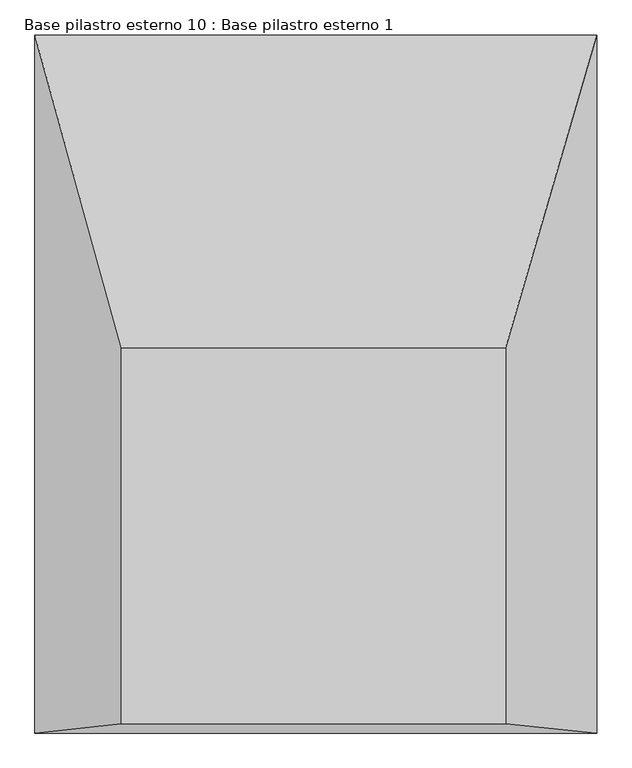
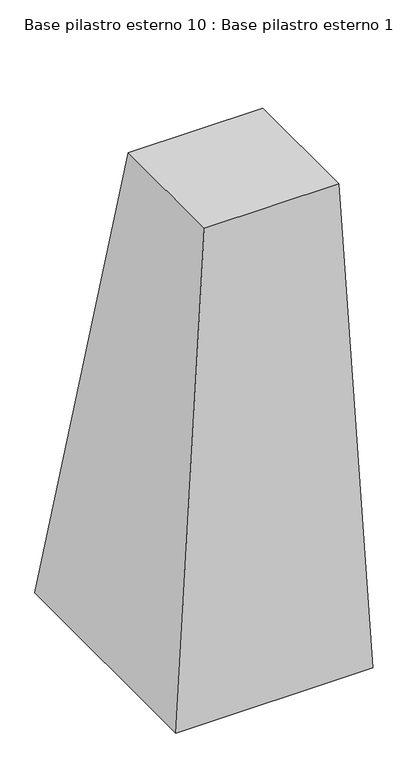
"""IFC4 building model written with IfcOpenShell, lengths in millimetres: column geometry, Base pilastro esterno 10 : Base pilastro esterno 1."""

from ifc_helpers import new_model, si_unit, origin, place, context, project, spatial, faceted_brep, source, transform, mapped, element, save


def base_pilastro_esterno_10_base_pilastro_esterno_1_2988f45d(model_context):
    return source(origin(), model_context, "Body", "Brep", [
        faceted_brep([(80645.7772396, 123725.338663, 110.4186824), (81248.7724453, 123725.338663, 110.4186824), (81248.7724453, 124315.5945334, 110.4186824), (80645.7772396, 124315.5945334, 110.4186824), (80509.890996, 123710.8677666, -2226.4963086), (80509.890996, 124806.47127, -2226.4963086), (81391.7396361, 124806.47127, -2226.4963086), (81391.7396361, 123710.8677666, -2226.4963086)], [[[0, 1, 2, 3]], [[4, 5, 6, 7]], [[4, 7, 1, 0]], [[7, 6, 2, 1]], [[6, 5, 3, 2]], [[5, 4, 0, 3]]]),
    ])


if __name__ == "__main__":
    model = new_model("IFC4")
    model_context = context("Model", 3, world=origin())
    ifc_project = project(units=[si_unit("LENGTHUNIT", "METRE", prefix="MILLI")], contexts=[model_context])
    site = spatial("IfcSite", under=ifc_project)
    building = spatial("IfcBuilding", under=site)
    placement = place(None, origin())
    base_pilastro_esterno_10_base_pilastro_esterno_1_shape = base_pilastro_esterno_10_base_pilastro_esterno_1_2988f45d(model_context)
    element("IfcColumn", 1, ObjectType="Base pilastro esterno 10 : Base pilastro esterno 1", at=placement, inside=building, context=model_context, shape_type="MappedRepresentation", body=[
        mapped(base_pilastro_esterno_10_base_pilastro_esterno_1_shape, transform((0.0, 0.0, 0.0), x_axis=(1.0, 0.0, 0.0), y_axis=(0.0, 1.0, 0.0), z_axis=(0.0, 0.0, 1.0))),
    ])
    save(model, "model.ifc")
